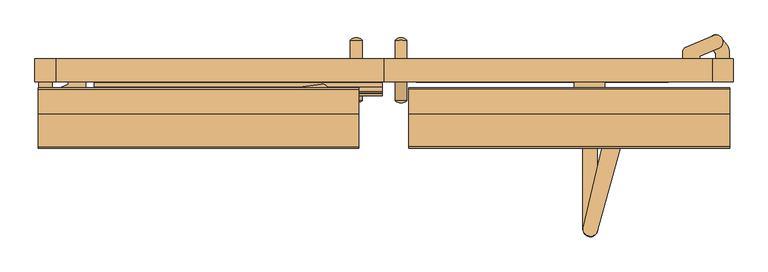
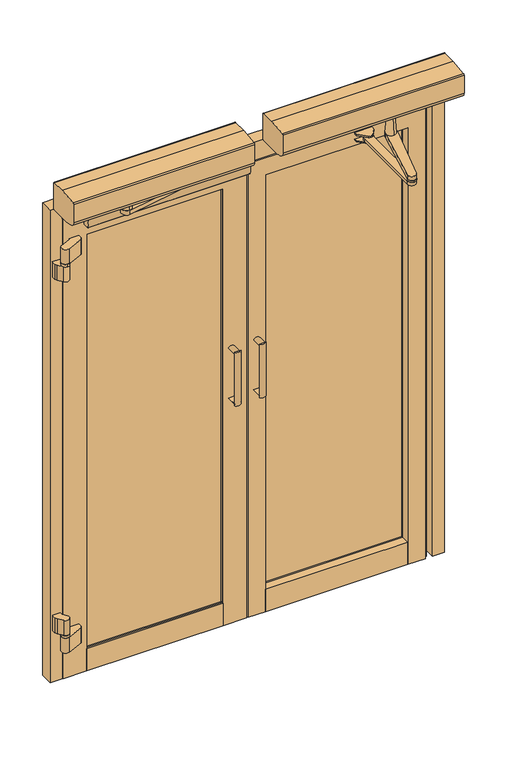
"""IFC4 building model written with IfcOpenShell, lengths in millimetres: door geometry."""

from ifc_helpers import new_model, si_unit, point, frame, frame_2d, origin, origin_with_axes, place, context, project, spatial, polyline, circle_curve, ellipse_curve, trimmed, segment, composite_curve, outline, extrude, faceted_brep, source, transform, mapped, element, save
from ifc_brep_helpers import plane_surface, cylinder_surface, revolved_surface, extruded_surface, advanced_brep


def door_29e71a08(model_context):
    return source(origin(), model_context, "Body", "SolidModel", [
        extrude(outline(composite_curve([segment(polyline([(1108.0, 24.2), (1108.0, 49.2)]), True, "CONTINUOUS"), segment(trimmed(circle_curve(frame_2d((1101.4280439, 36.7)), 14.1223442), [point((1108.0, 49.2))], [point((1108.0, 24.2))], False, "CARTESIAN"), True, "CONTINUOUS")], self_intersect=False)), frame((0.0, -37.3918372, 0.0), z_axis=(0.0, 1.0, 0.0), x_axis=(0.0, 0.0, 1.0)), (0.0, 0.0, 1.0), 40.0123882),
        extrude(outline(composite_curve([segment(trimmed(circle_curve(frame_2d((914.5719561, 36.7)), 14.1223442), [point((908.0, 24.2))], [point((908.0, 49.2))], False, "CARTESIAN"), True, "CONTINUOUS"), segment(polyline([(908.0, 49.2), (908.0, 24.2)]), True, "CONTINUOUS")], self_intersect=False)), frame((0.0, -37.3918372, 0.0), z_axis=(0.0, 1.0, 0.0), x_axis=(0.0, 0.0, 1.0)), (0.0, 0.0, 1.0), 40.0123882),
        extrude(outline(composite_curve([segment(polyline([(49.2, 2.6205511), (24.2, 2.6205511)]), True, "CONTINUOUS"), segment(trimmed(circle_curve(frame_2d((36.7, -8.8815333)), 16.9866991), [point((24.2, 2.6205511))], [point((49.2, 2.6205511))], False, "CARTESIAN"), True, "CONTINUOUS")], self_intersect=False)), frame((0.0, 0.0, 900.4496119), z_axis=(0.0, 0.0, 1.0), x_axis=(1.0, 0.0, 0.0)), (0.0, 0.0, 1.0), 215.1007763),
        extrude(outline(composite_curve([segment(trimmed(circle_curve(frame_2d((36.7, -115.8462793)), 16.9866991), [point((49.2, -127.3483637))], [point((24.2, -127.3483637))], False, "CARTESIAN"), True, "CONTINUOUS"), segment(polyline([(24.2, -127.3483637), (49.2, -127.3483637)]), True, "CONTINUOUS")], self_intersect=False)), frame((0.0, 0.0, 900.4496119), z_axis=(0.0, 0.0, 1.0), x_axis=(1.0, 0.0, 0.0)), (0.0, 0.0, 1.0), 215.1007763),
        extrude(outline(composite_curve([segment(polyline([(1108.0, 24.2), (1108.0, 49.2)]), True, "CONTINUOUS"), segment(trimmed(circle_curve(frame_2d((1101.4280439, 36.7)), 14.1223442), [point((1108.0, 49.2))], [point((1108.0, 24.2))], False, "CARTESIAN"), True, "CONTINUOUS")], self_intersect=False)), frame((0.0, -127.3483637, 0.0), z_axis=(0.0, 1.0, 0.0), x_axis=(0.0, 0.0, 1.0)), (0.0, 0.0, 1.0), 40.0123882),
        extrude(outline(composite_curve([segment(trimmed(circle_curve(frame_2d((914.5719561, 36.7)), 14.1223442), [point((908.0, 24.2))], [point((908.0, 49.2))], False, "CARTESIAN"), True, "CONTINUOUS"), segment(polyline([(908.0, 49.2), (908.0, 24.2)]), True, "CONTINUOUS")], self_intersect=False)), frame((0.0, -127.3483637, 0.0), z_axis=(0.0, 1.0, 0.0), x_axis=(0.0, 0.0, 1.0)), (0.0, 0.0, 1.0), 40.0123882),
        extrude(outline(composite_curve([segment(trimmed(circle_curve(frame_2d((-59.5, -8.8272115)), 16.9866991), [point((-72.0, 2.6748729))], [point((-47.0, 2.6748729))], False, "CARTESIAN"), True, "CONTINUOUS"), segment(polyline([(-47.0, 2.6748729), (-72.0, 2.6748729)]), True, "CONTINUOUS")], self_intersect=False)), frame((0.0, 0.0, 900.4496119), z_axis=(0.0, 0.0, 1.0), x_axis=(1.0, 0.0, 0.0)), (0.0, 0.0, 1.0), 215.1007763),
        extrude(outline(composite_curve([segment(trimmed(circle_curve(frame_2d((1101.4280439, -59.5)), 14.1223442), [point((1108.0, -47.0))], [point((1108.0, -72.0))], False, "CARTESIAN"), True, "CONTINUOUS"), segment(polyline([(1108.0, -72.0), (1108.0, -47.0)]), True, "CONTINUOUS")], self_intersect=False)), frame((0.0, -37.3251271, 0.0), z_axis=(0.0, 1.0, 0.0), x_axis=(0.0, 0.0, 1.0)), (0.0, 0.0, 1.0), 40.0),
        extrude(outline(composite_curve([segment(polyline([(908.0, -47.0), (908.0, -72.0)]), True, "CONTINUOUS"), segment(trimmed(circle_curve(frame_2d((914.5719561, -59.5)), 14.1223442), [point((908.0, -72.0))], [point((908.0, -47.0))], False, "CARTESIAN"), True, "CONTINUOUS")], self_intersect=False)), frame((0.0, -37.3251271, 0.0), z_axis=(0.0, 1.0, 0.0), x_axis=(0.0, 0.0, 1.0)), (0.0, 0.0, 1.0), 40.0),
        extrude(outline(composite_curve([segment(polyline([(-72.0, -127.3421696), (-47.0, -127.3421696)]), True, "CONTINUOUS"), segment(trimmed(circle_curve(frame_2d((-59.5, -115.8400852)), 16.9866991), [point((-47.0, -127.3421696))], [point((-72.0, -127.3421696))], False, "CARTESIAN"), True, "CONTINUOUS")], self_intersect=False)), frame((0.0, 0.0, 900.4496119), z_axis=(0.0, 0.0, 1.0), x_axis=(1.0, 0.0, 0.0)), (0.0, 0.0, 1.0), 215.1007763),
        extrude(outline(composite_curve([segment(trimmed(circle_curve(frame_2d((1101.4280439, -59.5)), 14.1223442), [point((1108.0, -47.0))], [point((1108.0, -72.0))], False, "CARTESIAN"), True, "CONTINUOUS"), segment(polyline([(1108.0, -72.0), (1108.0, -47.0)]), True, "CONTINUOUS")], self_intersect=False)), frame((0.0, -127.3421696, 0.0), z_axis=(0.0, 1.0, 0.0), x_axis=(0.0, 0.0, 1.0)), (0.0, 0.0, 1.0), 40.0123882),
        extrude(outline(composite_curve([segment(polyline([(908.0, -47.0), (908.0, -72.0)]), True, "CONTINUOUS"), segment(trimmed(circle_curve(frame_2d((914.5719561, -59.5)), 14.1223442), [point((908.0, -72.0))], [point((908.0, -47.0))], False, "CARTESIAN"), True, "CONTINUOUS")], self_intersect=False)), frame((0.0, -127.3421696, 0.0), z_axis=(0.0, 1.0, 0.0), x_axis=(0.0, 0.0, 1.0)), (0.0, 0.0, 1.0), 40.0123882),
        advanced_brep(
        [(503.0, -150.0, 1892.0), (503.0, -176.0, 1892.0), (503.0, -144.0272066, 1819.8342502), (503.0, -181.9727934, 1819.8342502)],
        [
            (0, 1, circle_curve(frame((503.0, -163.0, 1892.0), z_axis=(0.0, 0.0, 1.0), x_axis=(0.0, 1.0, 0.0)), 13.0)),
            (1, 0, circle_curve(frame((503.0, -163.0, 1892.0), z_axis=(0.0, 0.0, 1.0), x_axis=(0.0, -1.0, 0.0)), 13.0)),
            (2, 3, circle_curve(frame((503.0, -163.0, 1819.8342502), z_axis=(0.0, 0.0, -1.0), x_axis=(0.0, -1.0, 0.0)), 18.9727934)),
            (3, 2, circle_curve(frame((503.0, -163.0, 1819.8342502), z_axis=(0.0, 0.0, -1.0), x_axis=(0.0, 1.0, 0.0)), 18.9727934)),
            (3, 1),
            (0, 2),
        ],
        [
            plane_surface(frame((503.0, -163.0, 1892.0), z_axis=(0.0, 0.0, 1.0), x_axis=(-1.0, 0.0, 0.0))),
            plane_surface(frame((503.0, -163.0, 1819.8342502), z_axis=(0.0, 0.0, -1.0), x_axis=(-1.0, 0.0, 0.0))),
            revolved_surface(polyline([(503.0, -149.9999999961084, 1892.0), (503.0, -144.0272066, 1819.8342502)]), (503.0, -163.0, 2049.0713543), (0.0, 0.0, -1.0)),
            revolved_surface(polyline([(503.0, -176.0000000038916, 1892.0), (503.0, -181.9727934, 1819.8342502)]), (503.0, -163.0, 2049.0713543), (0.0, 0.0, -1.0)),
        ],
        [
            (0, [[1, 2]]),
            (1, [[3, 4]]),
            (2, [[-4, 5, -1, 6]]),
            (3, [[-3, -6, -2, -5]]),
        ],
    ),
        extrude(outline(composite_curve([segment(trimmed(circle_curve(frame_2d((443.7683637, -404.5071648)), 15.5400813), [point((443.7683637, -420.0472461))], [point((443.7683637, -388.9670835))], False, "CARTESIAN"), True, "CONTINUOUS"), segment(trimmed(circle_curve(frame_2d((443.7683637, -404.5071648)), 15.5400813), [point((443.7683637, -388.9670835))], [point((443.7683637, -420.0472461))], False, "CARTESIAN"), True, "CONTINUOUS")], self_intersect=False)), frame((0.0, 0.0, 1797.168291), z_axis=(0.0, 0.0, 1.0), x_axis=(1.0, 0.0, 0.0)), (0.0, 0.0, 1.0), 6.5908633),
        extrude(outline(composite_curve([segment(trimmed(circle_curve(frame_2d((443.7977099, -117.1773143)), 3.0), [point((443.7977099, -120.1773143))], [point((443.7977099, -114.1773143))], False, "CARTESIAN"), True, "CONTINUOUS"), segment(trimmed(circle_curve(frame_2d((443.7977099, -117.1773143)), 3.0), [point((443.7977099, -114.1773143))], [point((443.7977099, -120.1773143))], False, "CARTESIAN"), True, "CONTINUOUS")], self_intersect=False)), frame((0.0, 0.0, 1797.168291), z_axis=(0.0, 0.0, 1.0), x_axis=(1.0, 0.0, 0.0)), (0.0, 0.0, 1.0), 4.831709),
        extrude(outline(polyline([(-87.3251271, 1900.0), (-37.3251271, 1900.0), (-37.3251271, 1850.1157145), (-45.8142537, 1850.1157145), (-45.8142537, 1840.6510107), (-47.2935295, 1840.6510107), (-47.2935295, 1848.0839), (-85.32046, 1848.0839), (-85.32046, 1828.1147476), (-87.3251271, 1828.1147476), (-87.3251271, 1900.0)])), frame((0.0, 0.0, 0.0), z_axis=(1.0, 0.0, 0.0), x_axis=(0.0, 1.0, 0.0)), (0.0, 0.0, 1.0), 704.7267565),
        extrude(outline(composite_curve([segment(trimmed(circle_curve(frame_2d((-111.3774684, 1801.9828536)), 2.0), [point((-111.3774684, 1799.9828536))], [point((-113.2696163, 1801.3349523))], False, "CARTESIAN"), True, "CONTINUOUS"), segment(trimmed(circle_curve(frame_2d((-51.5087236, 1822.4828536)), 65.28125), [point((-113.2696163, 1801.3349523))], [point((-113.2696163, 1843.6307548))], False, "CARTESIAN"), True, "CONTINUOUS"), segment(trimmed(circle_curve(frame_2d((-111.3774684, 1842.9828536)), 2.0), [point((-113.2696163, 1843.6307548))], [point((-111.3774684, 1844.9828536))], False, "CARTESIAN"), True, "CONTINUOUS"), segment(polyline([(-111.3774684, 1844.9828536), (-108.286547, 1844.9828536), (-108.286547, 1844.1828536), (-97.2864545, 1844.1828536), (-97.2864545, 1844.9828536), (-89.3251271, 1844.9828536)]), True, "CONTINUOUS"), segment(trimmed(circle_curve(frame_2d((-89.3251271, 1842.9828536)), 2.0), [point((-89.3251271, 1844.9828536))], [point((-87.3251271, 1842.9828536))], False, "CARTESIAN"), True, "CONTINUOUS"), segment(polyline([(-87.3251271, 1842.9828536), (-87.3251271, 1801.9828536)]), True, "CONTINUOUS"), segment(trimmed(circle_curve(frame_2d((-89.3251271, 1801.9828536)), 2.0), [point((-87.3251271, 1801.9828536))], [point((-89.3251271, 1799.9828536))], False, "CARTESIAN"), True, "CONTINUOUS"), segment(polyline([(-89.3251271, 1799.9828536), (-111.3774684, 1799.9828536)]), True, "CONTINUOUS")], self_intersect=False)), frame((-622.0, 0.0, 0.0), z_axis=(1.0, 0.0, 0.0), x_axis=(0.0, 1.0, 0.0)), (0.0, 0.0, 1.0), 618.0),
        extrude(outline(composite_curve([segment(trimmed(circle_curve(frame_2d((-132.7741449, -104.0719509)), 4.0), [point((-136.7232466, -104.7080296))], [point((-128.8250433, -103.4358721))], False, "CARTESIAN"), True, "CONTINUOUS"), segment(trimmed(circle_curve(frame_2d((-132.7741449, -104.0719509)), 4.0), [point((-128.8250433, -103.4358721))], [point((-136.7232466, -104.7080296))], False, "CARTESIAN"), True, "CONTINUOUS")], self_intersect=False)), frame((0.0, 0.0, 1844.4828536), z_axis=(0.0, 0.0, 1.0), x_axis=(1.0, 0.0, 0.0)), (0.0, 0.0, 1.0), 6.5),
        extrude(outline(composite_curve([segment(trimmed(circle_curve(frame_2d((-132.7741449, -104.0719509)), 6.5), [point((-139.1914351, -105.1055789))], [point((-126.3568547, -103.0383229))], False, "CARTESIAN"), True, "CONTINUOUS"), segment(trimmed(circle_curve(frame_2d((-132.7741449, -104.0719509)), 6.5), [point((-126.3568547, -103.0383229))], [point((-139.1914351, -105.1055789))], False, "CARTESIAN"), True, "CONTINUOUS")], self_intersect=False)), frame((0.0, 0.0, 1850.9828536), z_axis=(0.0, 0.0, 1.0), x_axis=(1.0, 0.0, 0.0)), (0.0, 0.0, 1.0), 4.0),
        extrude(outline(composite_curve([segment(trimmed(circle_curve(frame_2d((-503.0, -163.5121413)), 11.0), [point((-503.0, -152.5121413))], [point((-503.0, -174.5121413))], False, "CARTESIAN"), True, "CONTINUOUS"), segment(trimmed(circle_curve(frame_2d((-503.0, -163.5121413)), 11.0), [point((-503.0, -174.5121413))], [point((-503.0, -152.5121413))], False, "CARTESIAN"), True, "CONTINUOUS")], self_intersect=False)), frame((0.0, 0.0, 1892.4807199), z_axis=(0.0, 0.0, 1.0), x_axis=(1.0, 0.0, 0.0)), (0.0, 0.0, 1.0), 16.5000173),
        extrude(outline(composite_curve([segment(trimmed(circle_curve(frame_2d((-503.0, -163.5121413)), 19.105), [point((-503.0, -144.4071413))], [point((-503.0, -182.6171413))], False, "CARTESIAN"), True, "CONTINUOUS"), segment(trimmed(circle_curve(frame_2d((-503.0, -163.5121413)), 19.105), [point((-503.0, -182.6171413))], [point((-503.0, -144.4071413))], False, "CARTESIAN"), True, "CONTINUOUS")], self_intersect=False)), frame((0.0, 0.0, 1872.4807199), z_axis=(0.0, 0.0, 1.0), x_axis=(1.0, 0.0, 0.0)), (0.0, 0.0, 1.0), 20.0),
        advanced_brep(
        [(-500.9241105, -184.3256325, 1872.4807199), (-130.5881663, -115.906284, 1872.4807199), (-134.4585842, -91.9261266, 1872.4807199), (-505.840956, -143.1890644, 1872.4807199), (-500.9241105, -184.3256325, 1854.9828536), (-505.840956, -143.1890644, 1854.9828536), (-134.4681441, -91.8569639, 1854.9828536), (-130.5881663, -115.906284, 1854.9828536)],
        [
            (0, 1),
            (1, 2, circle_curve(frame((-132.7952202, -103.9600813, 1872.4807199), z_axis=(0.0, 0.0, 1.0), x_axis=(0.9872754118385365, 0.15901968802336425, 0.0)), 12.1483681)),
            (2, 3),
            (3, 0, circle_curve(frame((-503.0042055, -163.7121289, 1872.4807199), z_axis=(0.0, 0.0, 1.0), x_axis=(0.9872754118385365, 0.15901968802336425, 0.0)), 20.7181883)),
            (4, 5, circle_curve(frame((-503.0042055, -163.7121289, 1854.9828536), z_axis=(0.0, 0.0, -1.0), x_axis=(0.9872754118385365, 0.15901968802336425, 0.0)), 20.7181883)),
            (5, 6),
            (6, 7, circle_curve(frame((-132.7952202, -103.9600813, 1854.9828536), z_axis=(0.0, 0.0, -1.0), x_axis=(0.9872754118385365, 0.15901968802336425, 0.0)), 12.1483681)),
            (7, 4),
            (0, 4),
            (7, 1),
            (6, 2),
            (5, 3),
        ],
        [
            plane_surface(frame((-130.5881663, -115.906284, 1872.4807199), z_axis=(0.0, 0.0, 1.0), x_axis=(0.9833586420731522, 0.18167493239312443, 0.0))),
            plane_surface(frame((-130.5881663, -115.906284, 1854.9828536), z_axis=(0.0, 0.0, -1.0), x_axis=(-0.9833586420731522, -0.18167493239312443, 0.0))),
            plane_surface(frame((-500.9241105, -184.3256325, 1872.4807199), z_axis=(0.18167493239312443, -0.9833586420731522, 0.0), x_axis=(0.0, 0.0, -1.0))),
            cylinder_surface(frame((-132.7952202, -103.9600813, 1854.9828536), z_axis=(0.0, 0.0, 1.0), x_axis=(0.9872754118385365, 0.15901968802336425, 0.0)), 12.1483681),
            plane_surface(frame((-134.4681441, -91.8569639, 1872.4807199), z_axis=(-0.1369207795005356, 0.9905820007152188, 0.0), x_axis=(0.0, 0.0, -1.0))),
            cylinder_surface(frame((-503.0042055, -163.7121289, 1854.9828536), z_axis=(0.0, 0.0, 1.0), x_axis=(0.9872754118385365, 0.15901968802336425, 0.0)), 20.7181883),
        ],
        [
            (0, [[1, 2, 3, 4]]),
            (1, [[5, 6, 7, 8]]),
            (2, [[-1, 9, -8, 10]]),
            (3, [[-2, -10, -7, 11]]),
            (4, [[-3, -11, -6, 12]]),
            (5, [[-4, -12, -5, -9]]),
        ],
    ),
        extrude(outline(composite_curve([segment(trimmed(circle_curve(frame_2d((-713.0, -123.3754014)), 15.0), [point((-713.0, -108.3754014))], [point((-713.0, -138.3754014))], False, "CARTESIAN"), True, "CONTINUOUS"), segment(trimmed(circle_curve(frame_2d((-713.0, -123.3754014)), 15.0), [point((-713.0, -138.3754014))], [point((-713.0, -108.3754014))], False, "CARTESIAN"), True, "CONTINUOUS")], self_intersect=False)), frame((0.0, 0.0, 1690.9983633), z_axis=(0.0, 0.0, 1.0), x_axis=(1.0, 0.0, 0.0)), (0.0, 0.0, 1.0), 10.0),
        extrude(outline(composite_curve([segment(polyline([(-742.1216632, -104.1215615), (-742.1216632, -87.3251271), (-712.8017265, -87.3251271), (-712.8017265, -98.4023269), (-701.4057893, -114.7347168)]), True, "CONTINUOUS"), segment(trimmed(circle_curve(frame_2d((-713.0020905, -123.3115763)), 14.4234781), [point((-701.4057893, -114.7347168))], [point((-724.8426701, -131.5479222))], False, "CARTESIAN"), True, "CONTINUOUS"), segment(polyline([(-724.8426701, -131.5479222), (-739.1432899, -113.1376905), (-742.1216632, -104.1215615)]), True, "CONTINUOUS")], self_intersect=False)), frame((0.0, 0.0, 1630.9983633), z_axis=(0.0, 0.0, 1.0), x_axis=(1.0, 0.0, 0.0)), (0.0, 0.0, 1.0), 60.0),
        extrude(outline(composite_curve([segment(polyline([(-712.8017265, -98.4023269), (-700.6895773, -114.7347168)]), True, "CONTINUOUS"), segment(trimmed(circle_curve(frame_2d((-713.0020905, -122.8023403)), 14.7202082), [point((-700.6895773, -114.7347168))], [point((-724.8426701, -131.5479222))], False, "CARTESIAN"), True, "CONTINUOUS"), segment(polyline([(-724.8426701, -131.5479222), (-739.1432899, -113.1376905), (-742.1216632, -104.1215615), (-742.1216632, -87.3251271), (-712.8017265, -87.3251271), (-712.8017265, -98.4023269)]), True, "CONTINUOUS")], self_intersect=False)), frame((0.0, 0.0, 209.0), z_axis=(0.0, 0.0, 1.0), x_axis=(1.0, 0.0, 0.0)), (0.0, 0.0, 1.0), 60.0),
        extrude(outline(composite_curve([segment(trimmed(circle_curve(frame_2d((-713.0020905, -123.3115763)), 15.0053491), [point((-728.0074396, -123.3115763))], [point((-697.9967414, -123.3115763))], False, "CARTESIAN"), True, "CONTINUOUS"), segment(trimmed(circle_curve(frame_2d((-713.0020905, -123.3115763)), 15.0053491), [point((-697.9967414, -123.3115763))], [point((-728.0074396, -123.3115763))], False, "CARTESIAN"), True, "CONTINUOUS")], self_intersect=False)), frame((0.0, 0.0, 199.0), z_axis=(0.0, 0.0, 1.0), x_axis=(1.0, 0.0, 0.0)), (0.0, 0.0, 1.0), 10.0),
        extrude(outline(composite_curve([segment(polyline([(-718.8668127, -109.4997868), (-678.0288558, -92.1592913), (-678.0288558, -87.3359755), (-640.8271752, -87.3359755), (-640.8271752, -103.9480504), (-645.4289926, -110.9033706), (-707.1340381, -137.1219515)]), True, "CONTINUOUS"), segment(trimmed(circle_curve(frame_2d((-713.0020905, -123.3115763)), 15.0053491), [point((-707.1340381, -137.1219515))], [point((-718.8668127, -109.4997868))], False, "CARTESIAN"), True, "CONTINUOUS")], self_intersect=False)), frame((0.0, 0.0, 1700.9983633), z_axis=(0.0, 0.0, 1.0), x_axis=(1.0, 0.0, 0.0)), (0.0, 0.0, 1.0), 60.0),
        advanced_brep(
        [(-718.8609669, -109.5089272, 199.0), (-707.1340395, -137.121952, 199.0), (-645.4289926, -110.9033706, 199.0), (-640.8271752, -103.9480504, 199.0), (-640.8271752, -87.3359755, 199.0), (-678.0288558, -87.3359755, 199.0), (-678.0288558, -92.1592913, 199.0), (-718.8672371, -109.4941556, 139.0), (-678.0288558, -92.1592913, 139.0), (-678.0288558, -87.3359755, 139.0), (-640.8271752, -87.3359755, 139.0), (-640.8271752, -103.9480504, 139.0), (-645.4289926, -110.9033706, 139.0), (-707.1340395, -137.121952, 139.0)],
        [
            (0, 1, circle_curve(frame((-713.0, -123.3165, 199.0), z_axis=(0.0, 0.0, 1.0), x_axis=(1.0, 0.0, 0.0)), 15.0)),
            (1, 2),
            (2, 3),
            (3, 4),
            (4, 5),
            (5, 6),
            (6, 0),
            (7, 8),
            (8, 9),
            (9, 10),
            (10, 11),
            (11, 12),
            (12, 13),
            (13, 7, circle_curve(frame((-713.0, -123.3165, 139.0), z_axis=(0.0, 0.0, -1.0), x_axis=(1.0, 0.0, 0.0)), 15.0)),
            (0, 7),
            (13, 1),
            (12, 2),
            (11, 3),
            (10, 4),
            (9, 5),
            (8, 6),
        ],
        [
            plane_surface(frame((-698.0, -123.3165, 199.0), z_axis=(0.0, 0.0, 1.0), x_axis=(0.0, 1.0, 0.0))),
            plane_surface(frame((-698.0, -123.3165, 139.0), z_axis=(0.0, 0.0, -1.0), x_axis=(0.0, -1.0, 0.0))),
            cylinder_surface(frame((-713.0, -123.3165, 139.0), z_axis=(0.0, 0.0, 1.0), x_axis=(1.0, 0.0, 0.0)), 15.0),
            plane_surface(frame((-707.1340395, -137.121952, 199.0), z_axis=(0.3910640352506904, -0.9203634718595946, 0.0), x_axis=(0.0, 0.0, -1.0))),
            plane_surface(frame((-645.4289926, -110.9033706, 199.0), z_axis=(0.8339856219529239, -0.5517861745058449, 0.0), x_axis=(0.0, 0.0, -1.0))),
            plane_surface(frame((-640.8271752, -103.9480504, 199.0), z_axis=(1.0, 0.0, 0.0), x_axis=(0.0, 0.0, -1.0))),
            plane_surface(frame((-640.8271752, -87.3359755, 199.0), z_axis=(0.0, 1.0, 0.0), x_axis=(0.0, 0.0, -1.0))),
            plane_surface(frame((-678.0288558, -87.3359755, 199.0), z_axis=(-1.0, 0.0, 0.0), x_axis=(0.0, 0.0, -1.0))),
            plane_surface(frame((-678.0288558, -92.1592913, 199.0), z_axis=(-0.3907311284892741, 0.9205048534524403, 0.0), x_axis=(0.0, 0.0, -1.0))),
        ],
        [
            (0, [[1, 2, 3, 4, 5, 6, 7]]),
            (1, [[8, 9, 10, 11, 12, 13, 14]]),
            (2, [[-1, 15, -14, 16]]),
            (3, [[-2, -16, -13, 17]]),
            (4, [[-3, -17, -12, 18]]),
            (5, [[-4, -18, -11, 19]]),
            (6, [[-5, -19, -10, 20]]),
            (7, [[-6, -20, -9, 21]]),
            (8, [[-7, -21, -8, -15]]),
        ],
    ),
        extrude(outline(polyline([(-623.4782323, -78.7240737), (-623.4782323, -72.009199), (-79.1405905, -72.009199), (-79.1405905, -78.7240737), (-623.4782323, -78.7240737)])), frame((0.0, 0.0, 76.5850465), z_axis=(0.0, 0.0, 1.0), x_axis=(1.0, 0.0, 0.0)), (0.0, 0.0, 1.0), 1691.8131444),
        extrude(outline(polyline([(-37.324435, 88.9931227), (-37.324435, 0.0), (-87.329962, 0.0), (-87.329962, 88.9819483), (-80.9079778, 88.9819483), (-78.7233816, 93.2799898), (-78.7233816, 76.5850465), (-72.0085068, 76.5850465), (-72.0085068, 93.2794154), (-69.8250983, 88.9931227), (-37.324435, 88.9931227)])), frame((-611.0813305, 0.0, 0.0), z_axis=(1.0, 0.0, 0.0), x_axis=(0.0, 1.0, 0.0)), (0.0, 0.0, 1.0), 519.5438383),
        faceted_brep([(-687.5813305, -47.3359755, 0.0), (-687.5813305, -45.8359755, 0.0), (-678.0813305, -45.8359755, 0.0), (-678.0813305, -37.3251271, 0.0), (-611.0701561, -37.3251271, 0.0), (-611.0701561, -69.8257904, 0.0), (-606.7838634, -72.009199, 0.0), (-623.4782323, -72.009199, 0.0), (-623.4782323, -78.7240737, 0.0), (-606.783289, -78.7240737, 0.0), (-611.0813305, -80.9086699, 0.0), (-611.0813305, -87.3046136, 0.0), (-700.0632788, -87.3046136, 0.0), (-700.0632788, -85.32046, 0.0), (-680.0813305, -85.32046, 0.0), (-680.0813305, -47.3359755, 0.0), (-687.5813305, -47.3359755, 1832.5012891), (-687.5813305, -45.8359755, 1832.5012891), (-15.0374923, -45.8359755, 1832.5012891), (-15.0374923, -45.8359755, 0.0), (-24.5374923, -45.8359755, 0.0), (-24.5374923, -45.8359755, 1823.0012891), (-678.0813305, -45.8359755, 1823.0012891), (-678.0813305, -37.3251271, 1823.0012891), (-24.5374923, -37.3251271, 1823.0012891), (-24.5374923, -37.3251271, 0.0), (-91.5486667, -37.3251271, 0.0), (-91.5486667, -37.3251271, 1755.9901147), (-611.0701561, -37.3251271, 1755.9901147), (-611.0701561, -69.8257904, 1755.9901147), (-606.7838634, -72.009199, 1751.703822), (-95.8349594, -72.009199, 1751.703822), (-95.8349594, -72.009199, 0.0), (-79.1405905, -72.009199, 0.0), (-79.1405905, -72.009199, 1768.3981909), (-623.4782323, -72.009199, 1768.3981909), (-623.4782323, -78.7240737, 1768.3981909), (-79.1405905, -78.7240737, 1768.3981909), (-79.1405905, -78.7240737, 0.0), (-95.8355338, -78.7240737, 0.0), (-95.8355338, -78.7240737, 1751.7032476), (-606.783289, -78.7240737, 1751.7032476), (-611.0813305, -80.9086699, 1756.0012891), (-611.0813305, -87.3046136, 1756.0012891), (-91.5374923, -87.3046136, 1756.0012891), (-91.5374923, -87.3046136, 0.0), (-2.555544, -87.3046136, 0.0), (-2.555544, -87.3046136, 1844.9832374), (-700.0632788, -87.3046136, 1844.9832374), (-700.0632788, -85.32046, 1844.9832374), (-2.555544, -85.32046, 1844.9832374), (-2.555544, -85.32046, 0.0), (-22.5374923, -85.32046, 0.0), (-22.5374923, -85.32046, 1825.0012891), (-680.0813305, -85.32046, 1825.0012891), (-680.0813305, -47.3359755, 1825.0012891), (-22.5374923, -47.3359755, 1825.0012891), (-22.5374923, -47.3359755, 0.0), (-15.0374923, -47.3359755, 0.0), (-15.0374923, -47.3359755, 1832.5012891), (-91.5486667, -69.8257904, 1755.9901147), (-91.5374923, -80.9086699, 1756.0012891), (-91.5374923, -80.9086699, 0.0), (-91.5486667, -69.8257904, 0.0)], [[[0, 1, 2, 3, 4, 5, 6, 7, 8, 9, 10, 11, 12, 13, 14, 15]], [[1, 0, 16, 17]], [[2, 1, 17, 18, 19, 20, 21, 22]], [[3, 2, 22, 23]], [[4, 3, 23, 24, 25, 26, 27, 28]], [[5, 4, 28, 29]], [[6, 5, 29, 30]], [[7, 6, 30, 31, 32, 33, 34, 35]], [[8, 7, 35, 36]], [[9, 8, 36, 37, 38, 39, 40, 41]], [[10, 9, 41, 42]], [[11, 10, 42, 43]], [[12, 11, 43, 44, 45, 46, 47, 48]], [[13, 12, 48, 49]], [[14, 13, 49, 50, 51, 52, 53, 54]], [[15, 14, 54, 55]], [[0, 15, 55, 56, 57, 58, 59, 16]], [[17, 16, 59, 18]], [[23, 22, 21, 24]], [[29, 28, 27, 60]], [[30, 29, 60, 31]], [[36, 35, 34, 37]], [[42, 41, 40, 61]], [[43, 42, 61, 44]], [[49, 48, 47, 50]], [[55, 54, 53, 56]], [[58, 57, 52, 51, 46, 45, 62, 39, 38, 33, 32, 63, 26, 25, 20, 19]], [[18, 59, 58, 19]], [[24, 21, 20, 25]], [[60, 27, 26, 63]], [[31, 60, 63, 32]], [[37, 34, 33, 38]], [[61, 40, 39, 62]], [[44, 61, 62, 45]], [[50, 47, 46, 51]], [[56, 53, 52, 57]]]),
        extrude(outline(composite_curve([segment(polyline([(645.9757546, -13.6324691), (707.2538026, 12.4046797)]), True, "CONTINUOUS"), segment(trimmed(circle_curve(frame_2d((713.0791707, -1.3052386)), 14.8962), [point((707.2538026, 12.4046797))], [point((718.9045388, -15.015157))], False, "CARTESIAN"), True, "CONTINUOUS"), segment(polyline([(718.9045388, -15.015157), (678.3500268, -32.2468394), (678.3500268, -37.3251271), (641.4057819, -37.3251271), (641.4057819, -20.5396585), (645.9757546, -13.6324691)]), True, "CONTINUOUS")], self_intersect=False)), frame((0.0, 0.0, 1608.9973963), z_axis=(0.0, 0.0, 1.0), x_axis=(1.0, 0.0, 0.0)), (0.0, 0.0, 1.0), 60.0),
        extrude(outline(composite_curve([segment(trimmed(circle_curve(frame_2d((713.0, -1.313777)), 14.8962), [point((713.0, 13.582423))], [point((713.0, -16.209977))], False, "CARTESIAN"), True, "CONTINUOUS"), segment(trimmed(circle_curve(frame_2d((713.0, -1.313777)), 14.8962), [point((713.0, -16.209977))], [point((713.0, 13.582423))], False, "CARTESIAN"), True, "CONTINUOUS")], self_intersect=False)), frame((0.0, 0.0, 1598.9973963), z_axis=(0.0, 0.0, 1.0), x_axis=(1.0, 0.0, 0.0)), (0.0, 0.0, 1.0), 10.0),
        extrude(outline(composite_curve([segment(polyline([(742.2703994, -20.5087155), (742.2703994, -37.3251271), (712.2161228, -37.3251271), (712.2161228, -26.22795), (700.3660092, -10.2488969)]), True, "CONTINUOUS"), segment(trimmed(circle_curve(frame_2d((712.4143963, -1.313777)), 15.0), [point((700.3660092, -10.2488969))], [point((724.4627834, 7.621343))], False, "CARTESIAN"), True, "CONTINUOUS"), segment(polyline([(724.4627834, 7.621343), (739.2920261, -11.4925864), (742.2703994, -20.5087155)]), True, "CONTINUOUS")], self_intersect=False)), frame((0.0, 0.0, 1538.9973963), z_axis=(0.0, 0.0, 1.0), x_axis=(1.0, 0.0, 0.0)), (0.0, 0.0, 1.0), 60.0),
        extrude(outline(composite_curve([segment(polyline([(678.3500268, -32.2468394), (678.3500268, -37.0351667), (641.4057819, -37.0351667), (641.4057819, -20.5396585), (645.9757546, -13.6324691), (707.2538026, 12.4046797)]), True, "CONTINUOUS"), segment(trimmed(circle_curve(frame_2d((713.0791707, -1.3052386)), 14.8962), [point((707.2538026, 12.4046797))], [point((718.9045388, -15.015157))], False, "CARTESIAN"), True, "CONTINUOUS"), segment(polyline([(718.9045388, -15.015157), (678.3500268, -32.2468394)]), True, "CONTINUOUS")], self_intersect=False)), frame((0.0, 0.0, 176.0), z_axis=(0.0, 0.0, 1.0), x_axis=(1.0, 0.0, 0.0)), (0.0, 0.0, 1.0), 60.0),
        extrude(outline(composite_curve([segment(trimmed(circle_curve(frame_2d((713.0, -1.313777)), 14.8962), [point((698.1038, -1.313777))], [point((727.8962, -1.313777))], False, "CARTESIAN"), True, "CONTINUOUS"), segment(trimmed(circle_curve(frame_2d((713.0, -1.313777)), 14.8962), [point((727.8962, -1.313777))], [point((698.1038, -1.313777))], False, "CARTESIAN"), True, "CONTINUOUS")], self_intersect=False)), frame((0.0, 0.0, 166.0), z_axis=(0.0, 0.0, 1.0), x_axis=(1.0, 0.0, 0.0)), (0.0, 0.0, 1.0), 10.0),
        extrude(outline(composite_curve([segment(trimmed(circle_curve(frame_2d((712.4143963, -1.313777)), 15.0), [point((700.3660092, -10.2488969))], [point((724.4627834, 7.621343))], False, "CARTESIAN"), True, "CONTINUOUS"), segment(polyline([(724.4627834, 7.621343), (739.2920261, -11.4925864), (742.2703994, -20.5087155), (742.2703994, -37.3251271), (712.2161228, -37.3251271), (712.2161228, -26.22795), (700.3660092, -10.2488969)]), True, "CONTINUOUS")], self_intersect=False)), frame((0.0, 0.0, 106.0), z_axis=(0.0, 0.0, 1.0), x_axis=(1.0, 0.0, 0.0)), (0.0, 0.0, 1.0), 60.0),
        extrude(outline(composite_curve([segment(trimmed(circle_curve(frame_2d((443.7977099, -117.1773143)), 3.0), [point((443.7977099, -120.1773143))], [point((443.7977099, -114.1773143))], False, "CARTESIAN"), True, "CONTINUOUS"), segment(trimmed(circle_curve(frame_2d((443.7977099, -117.1773143)), 3.0), [point((443.7977099, -114.1773143))], [point((443.7977099, -120.1773143))], False, "CARTESIAN"), True, "CONTINUOUS")], self_intersect=False)), frame((0.0, 0.0, 1781.0), z_axis=(0.0, 0.0, 1.0), x_axis=(1.0, 0.0, 0.0)), (0.0, 0.0, 1.0), 3.668291),
        extrude(outline(composite_curve([segment(trimmed(circle_curve(frame_2d((503.0, -163.0)), 10.92388), [point((503.0, -152.07612))], [point((503.0, -173.92388))], False, "CARTESIAN"), True, "CONTINUOUS"), segment(trimmed(circle_curve(frame_2d((503.0, -163.0)), 10.92388), [point((503.0, -173.92388))], [point((503.0, -152.07612))], False, "CARTESIAN"), True, "CONTINUOUS")], self_intersect=False)), frame((0.0, 0.0, 1892.0), z_axis=(0.0, 0.0, 1.0), x_axis=(1.0, 0.0, 0.0)), (0.0, 0.0, 1.0), 16.581125),
        extrude(outline(composite_curve([segment(trimmed(circle_curve(frame_2d((504.6011396, -162.6481704)), 20.5748184), [point((484.5364548, -158.0949763))], [point((524.4641937, -168.0130782))], False, "CARTESIAN"), True, "CONTINUOUS"), segment(polyline([(524.4641937, -168.0130782), (458.450596, -407.6386857)]), True, "CONTINUOUS"), segment(trimmed(circle_curve(frame_2d((443.4624761, -403.5096624)), 15.5464649), [point((458.450596, -407.6386857))], [point((428.1892868, -400.607549))], False, "CARTESIAN"), True, "CONTINUOUS"), segment(polyline([(428.1892868, -400.607549), (484.5364548, -158.0949763)]), True, "CONTINUOUS")], self_intersect=False)), frame((0.0, 0.0, 1803.7591543), z_axis=(0.0, 0.0, 1.0), x_axis=(1.0, 0.0, 0.0)), (0.0, 0.0, 1.0), 16.0750958),
        extrude(outline(composite_curve([segment(polyline([(427.4084017, -404.142551), (427.4084017, -118.3707806)]), True, "CONTINUOUS"), segment(trimmed(circle_curve(frame_2d((442.7981039, -118.3707806)), 15.3897022), [point((427.4084017, -118.3707806))], [point((458.1878061, -118.3707806))], False, "CARTESIAN"), True, "CONTINUOUS"), segment(polyline([(458.1878061, -118.3707806), (458.1878061, -404.142551)]), True, "CONTINUOUS"), segment(trimmed(circle_curve(frame_2d((442.7981039, -404.142551)), 15.3897022), [point((458.1878061, -404.142551))], [point((427.4084017, -404.142551))], False, "CARTESIAN"), True, "CONTINUOUS")], self_intersect=False)), frame((0.0, 0.0, 1784.668291), z_axis=(0.0, 0.0, 1.0), x_axis=(1.0, 0.0, 0.0)), (0.0, 0.0, 1.0), 12.5),
        advanced_brep(
        [(436.7939579, -128.4134813, 1781.0), (454.6237629, -127.3076408, 1781.0), (474.0754211, -102.3225878, 1781.0), (474.0754211, -87.3251271, 1781.0), (408.5321411, -87.3251271, 1781.0), (408.5321411, -100.1808981, 1781.0), (436.7793411, -128.4280981, 1777.0), (408.5321411, -100.1808981, 1777.0), (408.5321411, -87.3251271, 1777.0), (474.0754211, -87.3251271, 1777.0), (474.0754211, -102.3225878, 1777.0), (454.6237629, -127.3076408, 1777.0)],
        [
            (0, 1, circle_curve(frame((445.2205211, -119.9869181, 1781.0), z_axis=(0.0, 0.0, 1.0), x_axis=(-1.0, 0.0, 0.0)), 11.91696)),
            (1, 2),
            (2, 3),
            (3, 4),
            (4, 5),
            (5, 0),
            (6, 7),
            (7, 8),
            (8, 9),
            (9, 10),
            (10, 11),
            (11, 6, circle_curve(frame((445.2205211, -119.9869181, 1777.0), z_axis=(0.0, 0.0, -1.0), x_axis=(-1.0, 0.0, 0.0)), 11.91696)),
            (0, 6),
            (11, 1),
            (10, 2),
            (9, 3),
            (8, 4),
            (7, 5),
        ],
        [
            plane_surface(frame((433.3035611, -119.9869181, 1781.0), z_axis=(0.0, 0.0, 1.0), x_axis=(0.0, -1.0, 0.0))),
            plane_surface(frame((433.3035611, -119.9869181, 1777.0), z_axis=(0.0, 0.0, -1.0), x_axis=(0.0, 1.0, 0.0))),
            cylinder_surface(frame((445.2205211, -119.9869181, 1777.0), z_axis=(0.0, 0.0, 1.0), x_axis=(-1.0, 0.0, 0.0)), 11.91696),
            plane_surface(frame((454.6237629, -127.3076408, 1781.0), z_axis=(0.7890637975801971, -0.6143112593370872, 0.0), x_axis=(0.0, 0.0, -1.0))),
            plane_surface(frame((474.0754211, -102.3225878, 1781.0), z_axis=(1.0, 0.0, 0.0), x_axis=(0.0, 0.0, -1.0))),
            plane_surface(frame((474.0754211, -87.3251271, 1781.0), z_axis=(0.0, 1.0, 0.0), x_axis=(0.0, 0.0, -1.0))),
            plane_surface(frame((408.5321411, -87.3251271, 1781.0), z_axis=(-1.0, 0.0, 0.0), x_axis=(0.0, 0.0, -1.0))),
            plane_surface(frame((408.5321411, -100.1808981, 1781.0), z_axis=(-0.7071067811865513, -0.7071067811865437, 0.0), x_axis=(0.0, 0.0, -1.0))),
        ],
        [
            (0, [[1, 2, 3, 4, 5, 6]]),
            (1, [[7, 8, 9, 10, 11, 12]]),
            (2, [[-1, 13, -12, 14]]),
            (3, [[-2, -14, -11, 15]]),
            (4, [[-3, -15, -10, 16]]),
            (5, [[-4, -16, -9, 17]]),
            (6, [[-5, -17, -8, 18]]),
            (7, [[-6, -18, -7, -13]]),
        ],
    ),
        advanced_brep(
        [(408.5321411, -87.3251271, 1807.0), (408.5321411, -100.1597184, 1807.0), (436.7793411, -128.4069184, 1807.0), (454.6237629, -127.2864611, 1807.0), (474.0754211, -102.3014082, 1807.0), (474.0754211, -87.3251271, 1807.0), (408.5321411, -87.3251271, 1802.0), (474.0754211, -87.3251271, 1802.0), (474.0754211, -102.3014082, 1802.0), (454.6237629, -127.2864611, 1802.0), (436.7939579, -128.3923017, 1802.0), (408.5321411, -100.1597184, 1802.0)],
        [
            (0, 1),
            (1, 2),
            (2, 3, circle_curve(frame((445.2205211, -119.9657384, 1807.0), z_axis=(0.0, 0.0, 1.0), x_axis=(-1.0, 0.0, 0.0)), 11.91696)),
            (3, 4),
            (4, 5),
            (5, 0),
            (6, 7),
            (7, 8),
            (8, 9),
            (9, 10, circle_curve(frame((445.2205211, -119.9657384, 1802.0), z_axis=(0.0, 0.0, -1.0), x_axis=(-1.0, 0.0, 0.0)), 11.91696)),
            (10, 11),
            (11, 6),
            (0, 6),
            (11, 1),
            (10, 2),
            (9, 3),
            (8, 4),
            (7, 5),
        ],
        [
            plane_surface(frame((408.5321411, -100.1597184, 1807.0), z_axis=(0.0, 0.0, 1.0), x_axis=(0.0, -1.0, 0.0))),
            plane_surface(frame((408.5321411, -100.1597184, 1802.0), z_axis=(0.0, 0.0, -1.0), x_axis=(0.0, 1.0, 0.0))),
            plane_surface(frame((408.5321411, -87.3251271, 1807.0), z_axis=(-1.0, 0.0, 0.0), x_axis=(0.0, 0.0, -1.0))),
            plane_surface(frame((408.5321411, -100.1597184, 1807.0), z_axis=(-0.7071067811865207, -0.7071067811865744, 0.0), x_axis=(0.0, 0.0, -1.0))),
            cylinder_surface(frame((445.2205211, -119.9657384, 1802.0), z_axis=(0.0, 0.0, 1.0), x_axis=(-1.0, 0.0, 0.0)), 11.91696),
            plane_surface(frame((454.6237629, -127.2864611, 1807.0), z_axis=(0.7890637975802081, -0.6143112593370731, 0.0), x_axis=(0.0, 0.0, -1.0))),
            plane_surface(frame((474.0754211, -102.3014082, 1807.0), z_axis=(1.0, 0.0, 0.0), x_axis=(0.0, 0.0, -1.0))),
            plane_surface(frame((474.0754211, -87.3251271, 1807.0), z_axis=(0.0, 1.0, 0.0), x_axis=(0.0, 0.0, -1.0))),
        ],
        [
            (0, [[1, 2, 3, 4, 5, 6]]),
            (1, [[7, 8, 9, 10, 11, 12]]),
            (2, [[-1, 13, -12, 14]]),
            (3, [[-2, -14, -11, 15]]),
            (4, [[-3, -15, -10, 16]]),
            (5, [[-4, -16, -9, 17]]),
            (6, [[-5, -17, -8, 18]]),
            (7, [[-6, -18, -7, -13]]),
        ],
    ),
        extrude(outline(polyline([(56.802061, -52.6465823), (56.802061, -45.9317076), (623.1968033, -45.9317076), (623.1968033, -52.6465823), (56.802061, -52.6465823)])), frame((0.0, 0.0, 76.5721601), z_axis=(0.0, 0.0, 1.0), x_axis=(1.0, 0.0, 0.0)), (0.0, 0.0, 1.0), 1691.8545811),
        extrude(outline(polyline([(-43.7231983, 88.97937), (-37.3001414, 88.97937), (-37.3001414, 0.0), (-87.29482, 0.0), (-87.29482, 88.9905444), (-54.8050051, 88.9905444), (-52.6215966, 93.2768371), (-52.6215966, 76.5721601), (-45.9067218, 76.5721601), (-45.9067218, 93.2774115), (-43.7231983, 88.97937)])), frame((69.2204453, 0.0, 0.0), z_axis=(1.0, 0.0, 0.0), x_axis=(0.0, 1.0, 0.0)), (0.0, 0.0, 1.0), 541.5579736),
        faceted_brep([(-7.2907291, -78.8198058, 0.0), (-7.2907291, -77.3198058, 0.0), (0.2092709, -77.3198058, 0.0), (0.2092709, -39.3092807, 0.0), (-19.7700991, -39.3092807, 0.0), (-19.7700991, -37.3251271, 0.0), (69.2092709, -37.3251271, 0.0), (69.2092709, -43.748184, 0.0), (73.5073124, -45.9317076, 0.0), (56.802061, -45.9317076, 0.0), (56.802061, -52.6465823, 0.0), (73.506738, -52.6465823, 0.0), (69.2204453, -54.8299909, 0.0), (69.2204453, -87.3198058, 0.0), (2.2092709, -87.3198058, 0.0), (2.2092709, -78.8198058, 0.0), (687.2895934, -78.8198058, 0.0), (677.7895934, -78.8198058, 0.0), (677.7895934, -87.3198058, 0.0), (610.778419, -87.3198058, 0.0), (610.778419, -54.8299909, 0.0), (606.4921263, -52.6465823, 0.0), (623.1968033, -52.6465823, 0.0), (623.1968033, -45.9317076, 0.0), (606.4915519, -45.9317076, 0.0), (610.7895934, -43.748184, 0.0), (610.7895934, -37.3251271, 0.0), (699.7689634, -37.3251271, 0.0), (699.7689634, -39.3092807, 0.0), (679.7895934, -39.3092807, 0.0), (679.7895934, -77.3198058, 0.0), (687.2895934, -77.3198058, 0.0), (-7.2907291, -78.8198058, 1832.5195313), (-7.2907291, -77.3198058, 1832.5195313), (687.2895934, -77.3198058, 1832.5195313), (679.7895934, -77.3198058, 1825.0195313), (0.2092709, -77.3198058, 1825.0195313), (0.2092709, -39.3092807, 1825.0195313), (679.7895934, -39.3092807, 1825.0195313), (699.7689634, -39.3092807, 1844.9989012), (-19.7700991, -39.3092807, 1844.9989012), (-19.7700991, -37.3251271, 1844.9989012), (699.7689634, -37.3251271, 1844.9989012), (610.7895934, -37.3251271, 1756.0195313), (69.2092709, -37.3251271, 1756.0195313), (69.2092709, -43.748184, 1756.0195313), (73.5073124, -45.9317076, 1751.7214897), (606.4915519, -45.9317076, 1751.7214897), (623.1968033, -45.9317076, 1768.4267412), (56.802061, -45.9317076, 1768.4267412), (56.802061, -52.6465823, 1768.4267412), (623.1968033, -52.6465823, 1768.4267412), (606.4921263, -52.6465823, 1751.7220641), (73.506738, -52.6465823, 1751.7220641), (69.2204453, -54.8299909, 1756.0083568), (69.2204453, -87.3198058, 1756.0083568), (610.778419, -87.3198058, 1756.0083568), (677.7895934, -87.3198058, 1823.0195313), (2.2092709, -87.3198058, 1823.0195313), (2.2092709, -78.8198058, 1823.0195313), (677.7895934, -78.8198058, 1823.0195313), (687.2895934, -78.8198058, 1832.5195313), (610.7895934, -43.748184, 1756.0195313), (610.778419, -54.8299909, 1756.0083568)], [[[0, 1, 2, 3, 4, 5, 6, 7, 8, 9, 10, 11, 12, 13, 14, 15]], [[16, 17, 18, 19, 20, 21, 22, 23, 24, 25, 26, 27, 28, 29, 30, 31]], [[1, 0, 32, 33]], [[2, 1, 33, 34, 31, 30, 35, 36]], [[3, 2, 36, 37]], [[4, 3, 37, 38, 29, 28, 39, 40]], [[5, 4, 40, 41]], [[6, 5, 41, 42, 27, 26, 43, 44]], [[7, 6, 44, 45]], [[8, 7, 45, 46]], [[9, 8, 46, 47, 24, 23, 48, 49]], [[10, 9, 49, 50]], [[11, 10, 50, 51, 22, 21, 52, 53]], [[12, 11, 53, 54]], [[13, 12, 54, 55]], [[14, 13, 55, 56, 19, 18, 57, 58]], [[15, 14, 58, 59]], [[0, 15, 59, 60, 17, 16, 61, 32]], [[33, 32, 61, 34]], [[37, 36, 35, 38]], [[41, 40, 39, 42]], [[45, 44, 43, 62]], [[46, 45, 62, 47]], [[50, 49, 48, 51]], [[54, 53, 52, 63]], [[55, 54, 63, 56]], [[59, 58, 57, 60]], [[34, 61, 16, 31]], [[38, 35, 30, 29]], [[42, 39, 28, 27]], [[62, 43, 26, 25]], [[47, 62, 25, 24]], [[51, 48, 23, 22]], [[63, 52, 21, 20]], [[56, 63, 20, 19]], [[60, 57, 18, 17]]]),
        advanced_brep(
        [(53.5787968, -155.5637095, 2018.7208076), (53.5787968, -102.9889455, 2018.7208076), (53.5787968, -99.9897783, 2015.7216405), (53.5787968, -99.9897783, 1911.9805941), (53.5787968, -102.9896351, 1908.9807372), (53.5787968, -185.1121158, 1908.9807372), (53.5787968, -230.1121158, 1933.9806851), (53.5787968, -230.1121158, 2006.7693218), (53.5787968, -226.4639146, 2011.5221012), (743.0, -155.5637095, 2018.7208076), (743.0, -226.4639146, 2011.5221012), (743.0, -230.1121158, 2006.7693218), (743.0, -230.1121158, 1933.9806851), (743.0, -185.1121158, 1908.9807372), (743.0, -102.9896351, 1908.9807372), (743.0, -99.9897783, 1911.9805941), (743.0, -99.9897783, 2015.7216405), (743.0, -102.9889455, 2018.7208076)],
        [
            (0, 1),
            (1, 2, circle_curve(frame((53.5787968, -102.9889455, 2015.7216405), z_axis=(-1.0, 0.0, 0.0), x_axis=(0.0, 0.0, 1.0)), 2.9991672)),
            (2, 3),
            (3, 4, circle_curve(frame((53.5787968, -102.9896351, 1911.9805941), z_axis=(-1.0, 0.0, 0.0), x_axis=(0.0, 0.0, 1.0)), 2.9998569)),
            (4, 5),
            (5, 6, ellipse_curve(frame((53.5787968, -185.1121158, 1933.9806851), z_axis=(-1.0, 0.0, 0.0), x_axis=(0.0, -1.0, 0.0)), 45.0, 24.9999479)),
            (6, 7),
            (7, 8, circle_curve(frame((53.5787968, -225.1121531, 2006.7079413), z_axis=(-1.0, 0.0, 0.0), x_axis=(0.0, 0.0, 1.0)), 5.0003394)),
            (8, 0, circle_curve(frame((53.5787968, -154.2890434, 1653.4184678), z_axis=(-1.0, 0.0, 0.0), x_axis=(0.0, 0.0, 1.0)), 365.3045637)),
            (9, 10, circle_curve(frame((743.0, -154.2890434, 1653.4184678), z_axis=(1.0, 0.0, 0.0), x_axis=(0.0, 0.0, 1.0)), 365.3045637)),
            (10, 11, circle_curve(frame((743.0, -225.1121531, 2006.7079413), z_axis=(1.0, 0.0, 0.0), x_axis=(0.0, 0.0, 1.0)), 5.0003394)),
            (11, 12),
            (12, 13, ellipse_curve(frame((743.0, -185.1121158, 1933.9806851), z_axis=(1.0, 0.0, 0.0), x_axis=(0.0, -1.0, 0.0)), 45.0, 24.9999479)),
            (13, 14),
            (14, 15, circle_curve(frame((743.0, -102.9896351, 1911.9805941), z_axis=(1.0, 0.0, 0.0), x_axis=(0.0, 0.0, 1.0)), 2.9998569)),
            (15, 16),
            (16, 17, circle_curve(frame((743.0, -102.9889455, 2015.7216405), z_axis=(1.0, 0.0, 0.0), x_axis=(0.0, 0.0, 1.0)), 2.9991672)),
            (17, 9),
            (0, 9),
            (17, 1),
            (16, 2),
            (15, 3),
            (14, 4),
            (13, 5),
            (12, 6),
            (11, 7),
            (10, 8),
        ],
        [
            plane_surface(frame((53.5787968, -100.0, 1998.9814553), z_axis=(-1.0, 0.0, 0.0), x_axis=(0.0, -1.0, 0.0))),
            plane_surface(frame((743.0, -100.0, 1998.9814553), z_axis=(1.0, 0.0, 0.0), x_axis=(0.0, -1.0, 0.0))),
            plane_surface(frame((53.5787968, -155.5637095, 2018.7208076), z_axis=(0.0, 0.0, 1.0), x_axis=(1.0, 0.0, 0.0))),
            cylinder_surface(frame((53.5787968, -102.9889455, 2015.7216405), z_axis=(-1.0, 0.0, 0.0), x_axis=(0.0, 0.0, 1.0)), 2.9991672),
            plane_surface(frame((53.5787968, -99.9897783, 2015.7216405), z_axis=(0.0, 1.0, 0.0), x_axis=(1.0, 0.0, 0.0))),
            cylinder_surface(frame((53.5787968, -102.9896351, 1911.9805941), z_axis=(-1.0, 0.0, 0.0), x_axis=(0.0, 0.0, 1.0)), 2.9998569),
            plane_surface(frame((53.5787968, -102.9896351, 1908.9807372), z_axis=(0.0, 0.0, -1.0), x_axis=(1.0, 0.0, 0.0))),
            extruded_surface(trimmed(ellipse_curve(frame((743.0, -185.1121158, 1933.9806851), z_axis=(-1.0, 0.0, 0.0), x_axis=(0.0, -1.0, 0.0)), 45.0, 24.9999479), [point((743.0, -185.1121158, 1908.9807372))], [point((743.0, -230.1121158, 1933.9806851))], True, "CARTESIAN"), (-689.4212032, 0.0, 0.0), 689.4212032),
            plane_surface(frame((53.5787968, -230.1121158, 1933.9806851), z_axis=(0.0, -1.0, 0.0), x_axis=(1.0, 0.0, 0.0))),
            cylinder_surface(frame((53.5787968, -225.1121531, 2006.7079413), z_axis=(-1.0, 0.0, 0.0), x_axis=(0.0, 0.0, 1.0)), 5.0003394),
            cylinder_surface(frame((53.5787968, -154.2890434, 1653.4184678), z_axis=(-1.0, 0.0, 0.0), x_axis=(0.0, 0.0, 1.0)), 365.3045637),
        ],
        [
            (0, [[1, 2, 3, 4, 5, 6, 7, 8, 9]]),
            (1, [[10, 11, 12, 13, 14, 15, 16, 17, 18]]),
            (2, [[-1, 19, -18, 20]]),
            (3, [[-2, -20, -17, 21]]),
            (4, [[-3, -21, -16, 22]]),
            (5, [[-4, -22, -15, 23]]),
            (6, [[-5, -23, -14, 24]]),
            (7, [[-6, -24, -13, 25]]),
            (8, [[-7, -25, -12, 26]]),
            (9, [[-8, -26, -11, 27]]),
            (10, [[-9, -27, -10, -19]]),
        ],
    ),
        advanced_brep(
        [(-53.8387055, -99.9897783, 1911.9805941), (-53.8387055, -99.9897783, 2015.7216405), (-53.8387055, -102.9889455, 2018.7208076), (-53.8387055, -155.5637095, 2018.7208076), (-53.8387055, -226.4639146, 2011.5221012), (-53.8387055, -230.1121158, 2006.7693218), (-53.8387055, -230.1121158, 1933.9806851), (-53.8387055, -185.1121158, 1908.9807372), (-53.8387055, -102.9896351, 1908.9807372), (-743.0, -99.9897783, 1911.9805941), (-743.0, -102.9896351, 1908.9807372), (-743.0, -185.1121158, 1908.9807372), (-743.0, -230.1121158, 1933.9806851), (-743.0, -230.1121158, 2006.7693218), (-743.0, -226.4639146, 2011.5221012), (-743.0, -155.5637095, 2018.7208076), (-743.0, -102.9889455, 2018.7208076), (-743.0, -99.9897783, 2015.7216405)],
        [
            (0, 1),
            (1, 2, circle_curve(frame((-53.8387055, -102.9889455, 2015.7216405), z_axis=(1.0, 0.0, 0.0), x_axis=(0.0, 0.0, -1.0)), 2.9991672)),
            (2, 3),
            (3, 4, circle_curve(frame((-53.8387055, -154.2890434, 1653.4184678), z_axis=(1.0, 0.0, 0.0), x_axis=(0.0, 0.0, -1.0)), 365.3045637)),
            (4, 5, circle_curve(frame((-53.8387055, -225.1121531, 2006.7079413), z_axis=(1.0, 0.0, 0.0), x_axis=(0.0, 0.0, -1.0)), 5.0003394)),
            (5, 6),
            (6, 7, ellipse_curve(frame((-53.8387055, -185.1121158, 1933.9806851), z_axis=(1.0, 0.0, 0.0), x_axis=(0.0, -1.0, 0.0)), 45.0, 24.9999479)),
            (7, 8),
            (8, 0, circle_curve(frame((-53.8387055, -102.9896351, 1911.9805941), z_axis=(1.0, 0.0, 0.0), x_axis=(0.0, 0.0, -1.0)), 2.9998569)),
            (9, 10, circle_curve(frame((-743.0, -102.9896351, 1911.9805941), z_axis=(-1.0, 0.0, 0.0), x_axis=(0.0, 0.0, -1.0)), 2.9998569)),
            (10, 11),
            (11, 12, ellipse_curve(frame((-743.0, -185.1121158, 1933.9806851), z_axis=(-1.0, 0.0, 0.0), x_axis=(0.0, -1.0, 0.0)), 45.0, 24.9999479)),
            (12, 13),
            (13, 14, circle_curve(frame((-743.0, -225.1121531, 2006.7079413), z_axis=(-1.0, 0.0, 0.0), x_axis=(0.0, 0.0, -1.0)), 5.0003394)),
            (14, 15, circle_curve(frame((-743.0, -154.2890434, 1653.4184678), z_axis=(-1.0, 0.0, 0.0), x_axis=(0.0, 0.0, -1.0)), 365.3045637)),
            (15, 16),
            (16, 17, circle_curve(frame((-743.0, -102.9889455, 2015.7216405), z_axis=(-1.0, 0.0, 0.0), x_axis=(0.0, 0.0, -1.0)), 2.9991672)),
            (17, 9),
            (5, 13),
            (12, 6),
            (11, 7),
            (10, 8),
            (0, 9),
            (17, 1),
            (16, 2),
            (15, 3),
            (14, 4),
        ],
        [
            plane_surface(frame((-53.8387055, -100.0, 2016.2314553), z_axis=(1.0, 0.0, 0.0), x_axis=(0.0, -1.0, 0.0))),
            plane_surface(frame((-743.0, -100.0, 2016.2314553), z_axis=(-1.0, 0.0, 0.0), x_axis=(0.0, -1.0, 0.0))),
            plane_surface(frame((-53.8387055, -230.1121158, 2006.7693218), z_axis=(0.0, -1.0, 0.0), x_axis=(-1.0, 0.0, 0.0))),
            extruded_surface(trimmed(ellipse_curve(frame((-743.0, -185.1121158, 1933.9806851), z_axis=(1.0, 0.0, 0.0), x_axis=(0.0, -1.0, 0.0)), 45.0, 24.9999479), [point((-743.0, -230.1121158, 1933.9806851))], [point((-743.0, -185.1121158, 1908.9807372))], True, "CARTESIAN"), (689.1612944999999, 0.0, 0.0), 689.1612944999999),
            plane_surface(frame((-53.8387055, -185.1121158, 1908.9807372), z_axis=(0.0, 0.0, -1.0), x_axis=(-1.0, 0.0, 0.0))),
            plane_surface(frame((-53.8387055, -99.9897783, 1911.9805941), z_axis=(0.0, 1.0, 0.0), x_axis=(-1.0, 0.0, 0.0))),
            cylinder_surface(frame((-53.8387055, -102.9896351, 1911.9805941), z_axis=(1.0, 0.0, 0.0), x_axis=(0.0, 0.0, -1.0)), 2.9998569),
            cylinder_surface(frame((-53.8387055, -102.9889455, 2015.7216405), z_axis=(1.0, 0.0, 0.0), x_axis=(0.0, 0.0, -1.0)), 2.9991672),
            plane_surface(frame((-53.8387055, -102.9889455, 2018.7208076), z_axis=(0.0, 0.0, 1.0), x_axis=(-1.0, 0.0, 0.0))),
            cylinder_surface(frame((-53.8387055, -154.2890434, 1653.4184678), z_axis=(1.0, 0.0, 0.0), x_axis=(0.0, 0.0, -1.0)), 365.3045637),
            cylinder_surface(frame((-53.8387055, -225.1121531, 2006.7079413), z_axis=(1.0, 0.0, 0.0), x_axis=(0.0, 0.0, -1.0)), 5.0003394),
        ],
        [
            (0, [[1, 2, 3, 4, 5, 6, 7, 8, 9]]),
            (1, [[10, 11, 12, 13, 14, 15, 16, 17, 18]]),
            (2, [[-6, 19, -13, 20]]),
            (3, [[-7, -20, -12, 21]]),
            (4, [[-8, -21, -11, 22]]),
            (5, [[-1, 23, -18, 24]]),
            (6, [[-9, -22, -10, -23]]),
            (7, [[-2, -24, -17, 25]]),
            (8, [[-3, -25, -16, 26]]),
            (9, [[-4, -26, -15, 27]]),
            (10, [[-5, -27, -14, -19]]),
        ],
    ),
        extrude(outline(polyline([(750.0, -37.3251271), (750.0, -87.3251271), (705.3123602, -87.3251271), (705.3123602, -37.3251271), (750.0, -37.3251271)])), origin_with_axes(), (0.0, 0.0, 1.0), 1900.0),
        extrude(outline(polyline([(-750.0, -37.3251271), (-705.0322169, -37.3251271), (-705.0322169, -87.3251271), (-750.0, -87.3251271), (-750.0, -37.3251271)])), origin_with_axes(), (0.0, 0.0, 1.0), 1900.0),
        extrude(outline(polyline([(-37.3251271, 1900.0), (-37.3251271, 1828.0012891), (-39.3251271, 1828.0012891), (-39.3251271, 1847.9704415), (-77.3605205, 1847.9704415), (-77.3605205, 1840.5375522), (-78.8397962, 1840.5375522), (-78.8397962, 1850.0022561), (-87.3359755, 1850.0022561), (-87.3359755, 1900.0), (-37.3251271, 1900.0)])), frame((-705.0322169, 0.0, 0.0), z_axis=(1.0, 0.0, 0.0), x_axis=(0.0, 1.0, 0.0)), (0.0, 0.0, 1.0), 705.0322169),
    ])


if __name__ == "__main__":
    model = new_model("IFC4")
    model_context = context("Model", 3, world=origin())
    ifc_project = project(units=[si_unit("LENGTHUNIT", "METRE", prefix="MILLI")], contexts=[model_context])
    site = spatial("IfcSite", under=ifc_project)
    building = spatial("IfcBuilding", under=site)
    placement = place(None, origin())
    door_shape = door_29e71a08(model_context)
    element("IfcDoor", 1, at=placement, inside=building, context=model_context, shape_type="MappedRepresentation", body=[
        mapped(door_shape, transform((0.0, 0.0, 0.0), x_axis=(1.0, 0.0, 0.0), y_axis=(0.0, 1.0, 0.0), z_axis=(0.0, 0.0, 1.0))),
    ])
    save(model, "model.ifc")
